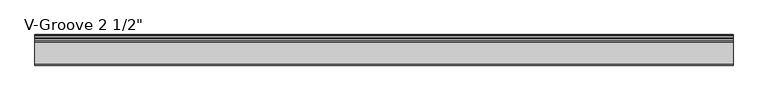
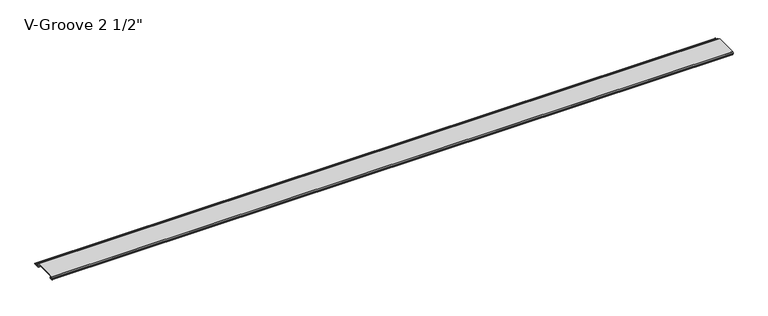
"""IFC4 building model written with IfcOpenShell, lengths in millimetres: proxy geometry."""

import ifcopenshell
import ifcopenshell.guid

model = None  # the IFC model being written
_history = None  # IfcOwnerHistory: only IFC2X3 demands one
_inside = {}  # id of a spatial element -> (the spatial element, [elements in it])
_under = {}  # id of a project, library or spatial element -> (it, [spatial elements below it])
_declared = {}  # id of a project -> (the project, [libraries it declares])
_typed = {}  # id of a type object -> (the type object, [elements of that type])
_made_of = {}  # id of a material, layer set ... -> (it, [elements and type objects made of it])


def new_model(schema):
    """Start an empty IFC model of exactly this schema.

    Asked for "IFC4X3", IfcOpenShell would pick the latest addendum, in which some entities
    have other attributes; the version numbers below select the first issue.
    IFC2X3 requires an IfcOwnerHistory on every rooted entity: one is made here for all.
    """
    global model, _history
    if schema == "IFC4X3":
        model = ifcopenshell.file(schema_version=(4, 3, 0, 0))
    else:
        model = ifcopenshell.file(schema=schema)
    _inside.clear()
    _under.clear()
    _declared.clear()
    _typed.clear()
    _made_of.clear()
    _history = None
    if model.schema == "IFC2X3":
        org = make("IfcOrganization", Name="unknown")
        user = make(
            "IfcPersonAndOrganization",
            ThePerson=make("IfcPerson", FamilyName="unknown"),
            TheOrganization=org,
        )
        app = make(
            "IfcApplication",
            ApplicationDeveloper=org,
            Version="unknown",
            ApplicationFullName="unknown",
            ApplicationIdentifier="unknown",
        )
        _history = make(
            "IfcOwnerHistory",
            OwningUser=user,
            OwningApplication=app,
            ChangeAction="ADDED",
            CreationDate=0,
        )
    return model


def make(cls, **values):
    """One entity of the class cls with the attributes given. An attribute that is None is left unset."""
    return model.create_entity(
        cls, **{name: value for name, value in values.items() if value is not None}
    )


def rooted(cls, **values):
    """An entity with a GlobalId (a new one), such as an element, a storey or a relation."""
    return make(cls, GlobalId=ifcopenshell.guid.new(), OwnerHistory=_history, **values)


def si_unit(unit_type, name, prefix=None):
    """IfcSIUnit, for example si_unit("LENGTHUNIT", "METRE", prefix="MILLI")."""
    return make("IfcSIUnit", UnitType=unit_type, Prefix=prefix, Name=name)


def assignment(units):
    """IfcUnitAssignment: the units of a project."""
    return None if units is None else make("IfcUnitAssignment", Units=units)


def point(xyz):
    """IfcCartesianPoint."""
    return None if xyz is None else make("IfcCartesianPoint", Coordinates=xyz)


def direction(xyz):
    """IfcDirection."""
    return None if xyz is None else make("IfcDirection", DirectionRatios=xyz)


def frame(location, z_axis=None, x_axis=None):
    """IfcAxis2Placement3D, a coordinate frame: its origin and axes. An axis left out is left unset."""
    return make(
        "IfcAxis2Placement3D",
        Location=point(location),
        Axis=direction(z_axis),
        RefDirection=direction(x_axis),
    )


def origin():
    """The frame at (0, 0, 0) with its axes left unset."""
    return frame((0.0, 0.0, 0.0))


def place(relative_to, where):
    """IfcLocalPlacement: puts the frame where relative to a parent placement (None: the world)."""
    return make(
        "IfcLocalPlacement", PlacementRelTo=relative_to, RelativePlacement=where
    )


def context(
    kind, dimensions, precision=None, world=None, true_north=None, identifier=None
):
    """IfcGeometricRepresentationContext, for example the 3D "Model" context."""
    return make(
        "IfcGeometricRepresentationContext",
        ContextIdentifier=identifier,
        ContextType=kind,
        CoordinateSpaceDimension=dimensions,
        Precision=precision,
        WorldCoordinateSystem=world,
        TrueNorth=true_north,
    )


def project(units=None, contexts=None):
    """IfcProject with its units and contexts."""
    return rooted(
        "IfcProject",
        Name="project",
        RepresentationContexts=contexts,
        UnitsInContext=assignment(units),
    )


def spatial(cls, under=None, at=None, **own):
    """A site, building, storey or space (cls), placed at a placement, below another one or the project."""
    s = rooted(cls, ObjectPlacement=at, **own)
    if under is not None:
        _under.setdefault(under.id(), (under, []))[1].append(s)
    return s


def polyline(points):
    """IfcPolyline through the points."""
    return make("IfcPolyline", Points=[point(p) for p in points])


def circle_curve(where, radius):
    """IfcCircle in the frame where."""
    return make("IfcCircle", Position=where, Radius=radius)


def shape(context_of_items, identifier, shape_type, items):
    """IfcShapeRepresentation: the items that make up one representation, for example the "Body"."""
    return make(
        "IfcShapeRepresentation",
        ContextOfItems=context_of_items,
        RepresentationIdentifier=identifier,
        RepresentationType=shape_type,
        Items=items,
    )


def source(mapping_origin, context_of_items, identifier, shape_type, items):
    """IfcRepresentationMap: a shape defined once, which mapped items show again and again."""
    return make(
        "IfcRepresentationMap",
        MappingOrigin=mapping_origin,
        MappedRepresentation=shape(context_of_items, identifier, shape_type, items),
    )


def transform(
    local_origin,
    x_axis=None,
    y_axis=None,
    z_axis=None,
    scale=None,
    scale2=None,
    scale3=None,
    uniform=True,
):
    """IfcCartesianTransformationOperator3D, or its non-uniform kind. x_axis, y_axis, z_axis: its Axis1, 2, 3."""
    if uniform:
        return make(
            "IfcCartesianTransformationOperator3D",
            Axis1=direction(x_axis),
            Axis2=direction(y_axis),
            LocalOrigin=point(local_origin),
            Scale=scale,
            Axis3=direction(z_axis),
        )
    return make(
        "IfcCartesianTransformationOperator3DnonUniform",
        Axis1=direction(x_axis),
        Axis2=direction(y_axis),
        LocalOrigin=point(local_origin),
        Scale=scale,
        Axis3=direction(z_axis),
        Scale2=scale2,
        Scale3=scale3,
    )


def mapped(mapping_source, mapping_target):
    """IfcMappedItem: shows the shape of a source again, moved by a transform."""
    return make(
        "IfcMappedItem", MappingSource=mapping_source, MappingTarget=mapping_target
    )


def made_of(thing, what):
    """Note that an element or type object is made of a material, layer set ...; save() writes the relation."""
    if what is not None:
        _made_of.setdefault(what.id(), (what, []))[1].append(thing)
    return thing


def element(
    cls,
    number,
    at=None,
    inside=None,
    cuts=None,
    type_object=None,
    material=None,
    context=None,
    identifier="Body",
    shape_type=None,
    held_by="IfcProductDefinitionShape",
    body=None,
    shapes=None,
    **own,
):
    """One element of the class cls, such as IfcWall. Its Tag is "e" and its number.

    at: its placement. inside: the storey or other place that contains it. cuts: it is an
    opening in that element (IfcRelVoidsElement). A single representation is given by context,
    identifier, shape_type and body (its items); several are given by shapes. held_by: the class
    of the entity that holds the representations. save() writes the other relations.
    """
    e = rooted(cls, Tag="e%d" % number, ObjectPlacement=at, **own)
    if body is not None:
        shapes = [shape(context, identifier, shape_type, body)]
    if shapes is not None:
        e.Representation = make(held_by, Representations=shapes)
    if inside is not None:
        _inside.setdefault(inside.id(), (inside, []))[1].append(e)
    if cuts is not None:
        rooted(
            "IfcRelVoidsElement", RelatingBuildingElement=cuts, RelatedOpeningElement=e
        )
    if type_object is not None:
        _typed.setdefault(type_object.id(), (type_object, []))[1].append(e)
    return made_of(e, material)


def aggregate(whole, parts):
    """IfcRelAggregates: a whole, such as a stair, and the parts it consists of."""
    return rooted("IfcRelAggregates", RelatingObject=whole, RelatedObjects=parts)


def save(model, path):
    """Write the relations noted so far, then the file.

    IfcRelAggregates (storeys below a building ...), IfcRelContainedInSpatialStructure (elements
    in a storey), IfcRelDefinesByType, IfcRelAssociatesMaterial and IfcRelDeclares: one each for
    every whole, place, type object, material and project.
    """
    for whole, parts in _under.values():
        aggregate(whole, parts)
    for where, things in _inside.values():
        rooted(
            "IfcRelContainedInSpatialStructure",
            RelatedElements=things,
            RelatingStructure=where,
        )
    for kind, things in _typed.values():
        rooted("IfcRelDefinesByType", RelatedObjects=things, RelatingType=kind)
    for what, things in _made_of.values():
        rooted("IfcRelAssociatesMaterial", RelatedObjects=things, RelatingMaterial=what)
    for by, libraries in _declared.values():
        rooted("IfcRelDeclares", RelatingContext=by, RelatedDefinitions=libraries)
    model.write(path)


def plane_surface(at):
    """IfcPlane: the flat surface through the origin of the frame at, square to its z axis."""
    return make("IfcPlane", Position=at)


def cylinder_surface(at, radius):
    """IfcCylindricalSurface: all points at the distance radius from the z axis of the frame at."""
    return make("IfcCylindricalSurface", Position=at, Radius=radius)


def revolved_surface(curve, axis_point, axis_direction):
    """IfcSurfaceOfRevolution: the curve turned about the line through axis_point along axis_direction."""
    return make(
        "IfcSurfaceOfRevolution",
        SweptCurve=make("IfcArbitraryOpenProfileDef", ProfileType="CURVE", Curve=curve),
        AxisPosition=make("IfcAxis1Placement", Location=point(axis_point), Axis=direction(axis_direction)),
    )


def advanced_brep(points, edges, surfaces, faces):
    """IfcAdvancedBrep: a solid bounded by faces that lie on surfaces and meet in shared edges.

    An edge is (start, end): straight between two places in points (the first is 0);
    or (start, end, curve); or (start, end, curve, False) where it runs against its curve.
    A face is (place in surfaces, loops), or (place, loops, False) where it looks against
    its surface's normal. A loop lists edges by number (the first is 1), with a minus sign
    where the edge is run from its end to its start. The first loop is the outer one.
    """
    corners = [point(p) for p in points]
    vertices = [make("IfcVertexPoint", VertexGeometry=c) for c in corners]
    made = []
    for start, end, *more in edges:
        made.append(
            make(
                "IfcEdgeCurve",
                EdgeStart=vertices[start],
                EdgeEnd=vertices[end],
                EdgeGeometry=more[0] if more else make("IfcPolyline", Points=[corners[start], corners[end]]),
                SameSense=more[1] if len(more) > 1 else True,
            )
        )
    hull = []
    for where, loops, *sense in faces:
        bounds = []
        for j, loop in enumerate(loops):
            ring = [make("IfcOrientedEdge", EdgeElement=made[abs(k) - 1], Orientation=k > 0) for k in loop]
            bounds.append(
                make(
                    "IfcFaceOuterBound" if j == 0 else "IfcFaceBound",
                    Bound=make("IfcEdgeLoop", EdgeList=ring),
                    Orientation=True,
                )
            )
        hull.append(make("IfcAdvancedFace", Bounds=bounds, FaceSurface=surfaces[where], SameSense=sense[0] if sense else True))
    return make("IfcAdvancedBrep", Outer=make("IfcClosedShell", CfsFaces=hull))


def proxy_5ee5bdab(model_context):
    return source(origin(), model_context, "Body", "AdvancedBrep", [
        advanced_brep(
        [(0.0, 4.8748016, 8.2677279), (0.0, 3.9297655, 8.3107178), (0.0, 1.0903749, 8.3537076), (0.0, 0.065443, 8.3537076), (0.0, 0.065443, 9.2261945), (0.0, 2.1184419, 13.2537076), (0.0, 60.8967857, 13.2537076), (0.0, 63.5, 8.1468156), (0.0, 69.3910449, 8.1468156), (0.0, 69.3738459, 6.6269129), (0.0, 65.2507651, 6.6268074), (0.0, 64.7162088, 5.7543198), (0.0, 65.8634478, 3.5037076), (0.0, 70.6480327, 3.5037076), (0.0, 71.405331, 2.8682589), (0.0, 77.1979176, 2.8682589), (0.0, 77.9552159, 3.5037076), (0.0, 78.9052159, 3.5037076), (0.0, 78.9052159, 1.8537076), (0.0, 64.9456734, 1.8537076), (0.0, 59.9348769, 11.6837076), (0.0, 4.9698231, 11.6837076), (0.0, 4.9454257, 9.4970429), (0.0, 6.3252986, 9.4327708), (0.0, 6.2190404, 4.8677279), (0.0, 2.2867276, 4.8677279), (0.0, 2.2368711, 6.1940104), (0.0, 4.5055344, 6.3177279), (0.0, 6.0740222, 6.3177279), (0.0, 6.0740222, 8.2677279), (1815.546, 4.8748016, 8.2677279), (1815.546, 6.0740222, 8.2677279), (1815.546, 6.0740222, 6.3177279), (1815.546, 4.5055344, 6.3177279), (1815.546, 2.2368711, 6.1940104), (1815.546, 2.2867276, 4.8677279), (1815.546, 6.2190404, 4.8677279), (1815.546, 6.3252986, 9.4327708), (1815.546, 4.9454257, 9.4970429), (1815.546, 4.9698231, 11.6837076), (1815.546, 59.9348769, 11.6837076), (1815.546, 64.9456734, 1.8537076), (1815.546, 78.9052159, 1.8537076), (1815.546, 78.9052159, 3.5037076), (1815.546, 77.9552159, 3.5037076), (1815.546, 77.1979176, 2.8682589), (1815.546, 71.405331, 2.8682589), (1815.546, 70.6480327, 3.5037076), (1815.546, 65.8634478, 3.5037076), (1815.546, 64.7162088, 5.7543198), (1815.546, 65.2507651, 6.6268074), (1815.546, 69.3738459, 6.6268074), (1815.546, 69.3910449, 8.1468156), (1815.546, 63.5, 8.1468156), (1815.546, 60.8967857, 13.2537076), (1815.546, 2.1184419, 13.2537076), (1815.546, 0.065443, 9.2261945), (1815.546, 0.065443, 8.3537076), (1815.546, 1.0903749, 8.3537076), (1815.546, 3.9297655, 8.3107178)],
        [
            (0, 1),
            (1, 2, circle_curve(frame((0.0, 2.4847467, 6.6596487), z_axis=(1.0, 0.0, 0.0), x_axis=(0.0, 1.0, 0.0)), 2.1941076)),
            (2, 3),
            (3, 4),
            (4, 5),
            (5, 6),
            (6, 7),
            (7, 8),
            (8, 9, circle_curve(frame((0.0, 69.3824454, 7.3868643), z_axis=(-1.0, 0.0, 0.0), x_axis=(0.0, 1.0, 0.0)), 0.76)),
            (9, 10),
            (10, 11, circle_curve(frame((0.0, 65.2507651, 6.0268074), z_axis=(1.0, 0.0, 0.0), x_axis=(0.0, 1.0, 0.0)), 0.6)),
            (11, 12),
            (12, 13),
            (13, 14),
            (14, 15),
            (15, 16),
            (16, 17),
            (17, 18, circle_curve(frame((0.0, 78.9052159, 2.6787076), z_axis=(-1.0, 0.0, 0.0), x_axis=(0.0, 1.0, 0.0)), 0.825)),
            (18, 19),
            (19, 20),
            (20, 21),
            (21, 22, circle_curve(frame((0.0, 4.9836004, 10.5900854), z_axis=(1.0, 0.0, 0.0), x_axis=(0.0, 1.0, 0.0)), 1.093709)),
            (22, 23),
            (23, 24, circle_curve(frame((0.0, 6.2190404, 7.151486), z_axis=(-1.0, 0.0, 0.0), x_axis=(0.0, 1.0, 0.0)), 2.2837581)),
            (24, 25),
            (25, 26, circle_curve(frame((0.0, 2.2867276, 5.5318063), z_axis=(-1.0, 0.0, 0.0), x_axis=(0.0, 1.0, 0.0)), 0.6640784)),
            (26, 27),
            (27, 28),
            (28, 29, circle_curve(frame((0.0, 6.0740222, 7.2927279), z_axis=(1.0, 0.0, 0.0), x_axis=(0.0, 1.0, 0.0)), 0.975)),
            (29, 0),
            (30, 31),
            (31, 32, circle_curve(frame((1815.546, 6.0740222, 7.2927279), z_axis=(-1.0, 0.0, 0.0), x_axis=(0.0, 1.0, 0.0)), 0.975)),
            (32, 33),
            (33, 34),
            (34, 35, circle_curve(frame((1815.546, 2.2867276, 5.5318063), z_axis=(1.0, 0.0, 0.0), x_axis=(0.0, 1.0, 0.0)), 0.6640784)),
            (35, 36),
            (36, 37, circle_curve(frame((1815.546, 6.2190404, 7.151486), z_axis=(1.0, 0.0, 0.0), x_axis=(0.0, 1.0, 0.0)), 2.2837581)),
            (37, 38),
            (38, 39, circle_curve(frame((1815.546, 4.9836004, 10.5900854), z_axis=(-1.0, 0.0, 0.0), x_axis=(0.0, 1.0, 0.0)), 1.093709)),
            (39, 40),
            (40, 41),
            (41, 42),
            (42, 43, circle_curve(frame((1815.546, 78.9052159, 2.6787076), z_axis=(1.0, 0.0, 0.0), x_axis=(0.0, 1.0, 0.0)), 0.825)),
            (43, 44),
            (44, 45),
            (45, 46),
            (46, 47),
            (47, 48),
            (48, 49),
            (49, 50, circle_curve(frame((1815.546, 65.2507651, 6.0268074), z_axis=(-1.0, 0.0, 0.0), x_axis=(0.0, 1.0, 0.0)), 0.6)),
            (50, 51),
            (51, 52, circle_curve(frame((1815.546, 69.3824454, 7.3868643), z_axis=(1.0, 0.0, 0.0), x_axis=(0.0, 1.0, 0.0)), 0.76)),
            (52, 53),
            (53, 54),
            (54, 55),
            (55, 56),
            (56, 57),
            (57, 58),
            (58, 59, circle_curve(frame((1815.546, 2.4847467, 6.6596487), z_axis=(-1.0, 0.0, 0.0), x_axis=(0.0, 1.0, 0.0)), 2.1941076)),
            (59, 30),
            (0, 30),
            (59, 1),
            (58, 2),
            (57, 3),
            (56, 4),
            (55, 5),
            (54, 6),
            (53, 7),
            (52, 8),
            (51, 9),
            (50, 10),
            (49, 11),
            (48, 12),
            (47, 13),
            (46, 14),
            (45, 15),
            (44, 16),
            (43, 17),
            (42, 18),
            (41, 19),
            (40, 20),
            (39, 21),
            (38, 22),
            (37, 23),
            (36, 24),
            (35, 25),
            (34, 26),
            (33, 27),
            (32, 28),
            (31, 29),
        ],
        [
            plane_surface(frame((0.0, 0.0, 0.0), z_axis=(-1.0, 0.0, 0.0), x_axis=(0.0, 0.0, 1.0))),
            plane_surface(frame((1815.546, 0.0, 0.0), z_axis=(1.0, 0.0, 0.0), x_axis=(0.0, 0.0, 1.0))),
            plane_surface(frame((0.0, 4.8748016, 8.2677279), z_axis=(0.0, -0.045443199353729875, -0.9989669241934376), x_axis=(1.0, 0.0, 0.0))),
            revolved_surface(polyline([(1815.546, 4.6788543, 6.6596487), (0.0, 4.6788543, 6.6596487)]), (0.0, 2.4847467, 6.6596487), (1.0, 0.0, 0.0)),
            plane_surface(frame((0.0, 1.0903749, 8.3537076), z_axis=(0.0, 0.0, -1.0), x_axis=(1.0, 0.0, 0.0))),
            plane_surface(frame((0.0, 0.065443, 8.3537076), z_axis=(0.0, -1.0, 0.0), x_axis=(1.0, 0.0, 0.0))),
            plane_surface(frame((0.0, 0.065443, 9.2261945), z_axis=(0.0, -0.8909279044420536, 0.4541447666620095), x_axis=(1.0, 0.0, 0.0))),
            plane_surface(frame((0.0, 2.1184419, 13.2537076), z_axis=(0.0, 0.0, 1.0), x_axis=(1.0, 0.0, 0.0))),
            plane_surface(frame((0.0, 60.8967857, 13.2537076), z_axis=(0.0, 0.8909272743280099, 0.4541460027991692), x_axis=(1.0, 0.0, 0.0))),
            plane_surface(frame((0.0, 63.5, 8.1468156), z_axis=(0.0, 0.0, 1.0), x_axis=(1.0, 0.0, 0.0))),
            cylinder_surface(frame((0.0, 69.3824454, 7.3868643), z_axis=(-1.0, 0.0, 0.0), x_axis=(0.0, 1.0, 0.0)), 0.76),
            plane_surface(frame((0.0, 69.3738459, 6.6268074), z_axis=(0.0, 0.0, -1.0), x_axis=(1.0, 0.0, 0.0))),
            revolved_surface(polyline([(1815.546, 65.85076509999999, 6.0268074), (0.0, 65.85076509999999, 6.0268074)]), (0.0, 65.2507651, 6.0268074), (1.0, 0.0, 0.0)),
            plane_surface(frame((0.0, 64.7162088, 5.7543198), z_axis=(0.0, 0.890927274374244, 0.4541460027084689), x_axis=(1.0, 0.0, 0.0))),
            plane_surface(frame((0.0, 65.8634478, 3.5037076), z_axis=(0.0, 0.0, 1.0), x_axis=(1.0, 0.0, 0.0))),
            plane_surface(frame((0.0, 70.6480327, 3.5037076), z_axis=(0.0, 0.6427876096865576, 0.7660444431189628), x_axis=(1.0, 0.0, 0.0))),
            plane_surface(frame((0.0, 71.405331, 2.8682589), z_axis=(0.0, 0.0, 1.0), x_axis=(1.0, 0.0, 0.0))),
            plane_surface(frame((0.0, 77.1979176, 2.8682589), z_axis=(0.0, -0.6427876096865565, 0.7660444431189637), x_axis=(1.0, 0.0, 0.0))),
            plane_surface(frame((0.0, 77.9552159, 3.5037076), z_axis=(0.0, 0.0, 1.0), x_axis=(1.0, 0.0, 0.0))),
            cylinder_surface(frame((0.0, 78.9052159, 2.6787076), z_axis=(-1.0, 0.0, 0.0), x_axis=(0.0, 1.0, 0.0)), 0.825),
            plane_surface(frame((0.0, 78.9052159, 1.8537076), z_axis=(0.0, 0.0, -1.0), x_axis=(1.0, 0.0, 0.0))),
            plane_surface(frame((0.0, 64.9456734, 1.8537076), z_axis=(0.0, -0.8909272743276273, -0.45414600279991996), x_axis=(1.0, 0.0, 0.0))),
            plane_surface(frame((0.0, 59.9348769, 11.6837076), z_axis=(0.0, 0.0, -1.0), x_axis=(1.0, 0.0, 0.0))),
            revolved_surface(polyline([(1815.546, 6.077309400000001, 10.5900854), (0.0, 6.077309400000001, 10.5900854)]), (0.0, 4.9836004, 10.5900854), (1.0, 0.0, 0.0)),
            plane_surface(frame((0.0, 4.9454257, 9.4970429), z_axis=(0.0, 0.046527768163272164, 0.9989169969470661), x_axis=(1.0, 0.0, 0.0))),
            cylinder_surface(frame((0.0, 6.2190404, 7.151486), z_axis=(-1.0, 0.0, 0.0), x_axis=(0.0, 1.0, 0.0)), 2.2837581),
            plane_surface(frame((0.0, 6.2190404, 4.8677279), z_axis=(0.0, 0.0, -1.0), x_axis=(1.0, 0.0, 0.0))),
            cylinder_surface(frame((0.0, 2.2867276, 5.5318063), z_axis=(-1.0, 0.0, 0.0), x_axis=(0.0, 1.0, 0.0)), 0.6640784),
            plane_surface(frame((0.0, 2.2368711, 6.1940104), z_axis=(0.0, -0.054452281472051646, 0.9985163739481133), x_axis=(1.0, 0.0, 0.0))),
            plane_surface(frame((0.0, 4.5055344, 6.3177279), z_axis=(0.0, 0.0, 1.0), x_axis=(1.0, 0.0, 0.0))),
            revolved_surface(polyline([(1815.546, 7.0490222, 7.2927279), (0.0, 7.0490222, 7.2927279)]), (0.0, 6.0740222, 7.2927279), (1.0, 0.0, 0.0)),
            plane_surface(frame((0.0, 6.0740222, 8.2677279), z_axis=(0.0, 0.0, -1.0), x_axis=(1.0, 0.0, 0.0))),
        ],
        [
            (0, [[1, 2, 3, 4, 5, 6, 7, 8, 9, 10, 11, 12, 13, 14, 15, 16, 17, 18, 19, 20, 21, 22, 23, 24, 25, 26, 27, 28, 29, 30]]),
            (1, [[31, 32, 33, 34, 35, 36, 37, 38, 39, 40, 41, 42, 43, 44, 45, 46, 47, 48, 49, 50, 51, 52, 53, 54, 55, 56, 57, 58, 59, 60]]),
            (2, [[-1, 61, -60, 62]]),
            (3, [[-2, -62, -59, 63]]),
            (4, [[-3, -63, -58, 64]]),
            (5, [[-4, -64, -57, 65]]),
            (6, [[-5, -65, -56, 66]]),
            (7, [[-6, -66, -55, 67]]),
            (8, [[-7, -67, -54, 68]]),
            (9, [[-8, -68, -53, 69]]),
            (10, [[-9, -69, -52, 70]]),
            (11, [[-10, -70, -51, 71]]),
            (12, [[-11, -71, -50, 72]]),
            (13, [[-12, -72, -49, 73]]),
            (14, [[-13, -73, -48, 74]]),
            (15, [[-14, -74, -47, 75]]),
            (16, [[-15, -75, -46, 76]]),
            (17, [[-16, -76, -45, 77]]),
            (18, [[-17, -77, -44, 78]]),
            (19, [[-18, -78, -43, 79]]),
            (20, [[-19, -79, -42, 80]]),
            (21, [[-20, -80, -41, 81]]),
            (22, [[-21, -81, -40, 82]]),
            (23, [[-22, -82, -39, 83]]),
            (24, [[-23, -83, -38, 84]]),
            (25, [[-24, -84, -37, 85]]),
            (26, [[-25, -85, -36, 86]]),
            (27, [[-26, -86, -35, 87]]),
            (28, [[-27, -87, -34, 88]]),
            (29, [[-28, -88, -33, 89]]),
            (30, [[-29, -89, -32, 90]]),
            (31, [[-30, -90, -31, -61]]),
        ],
    ),
    ])


if __name__ == "__main__":
    model = new_model("IFC4")
    model_context = context("Model", 3, world=origin())
    ifc_project = project(units=[si_unit("LENGTHUNIT", "METRE", prefix="MILLI")], contexts=[model_context])
    site = spatial("IfcSite", under=ifc_project)
    building = spatial("IfcBuilding", under=site)
    placement = place(None, origin())
    proxy_shape = proxy_5ee5bdab(model_context)
    element("IfcBuildingElementProxy", 1, Name="V-Groove 2 1/2\"", ObjectType="V-Groove 2 1/2\"", at=placement, inside=building, context=model_context, shape_type="MappedRepresentation", body=[
        mapped(proxy_shape, transform((0.0, 0.0, 0.0), x_axis=(1.0, 0.0, 0.0), y_axis=(0.0, 1.0, 0.0), z_axis=(0.0, 0.0, 1.0))),
    ])
    save(model, "model.ifc")
